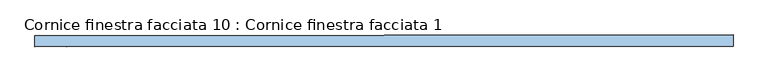
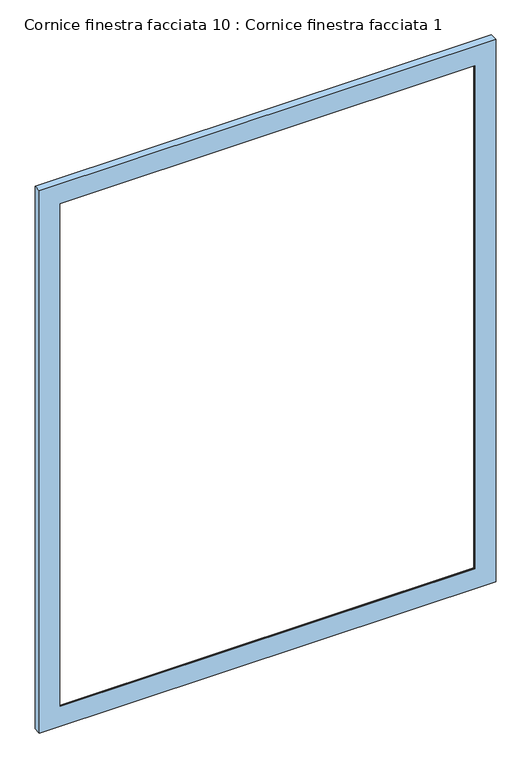
"""IFC4 building model written with IfcOpenShell, lengths in millimetres: window geometry, Cornice finestra facciata 10 : Cornice finestra facciata 1."""

from ifc_helpers import new_model, si_unit, frame, origin, place, context, project, spatial, ellipse_curve, source, transform, mapped, element, save
from ifc_brep_helpers import plane_surface, cylinder_surface, advanced_brep


def cornice_finestra_facciata_10_cornice_finestra_facciata_1_f670bd8a(model_context):
    return source(origin(), model_context, "Body", "AdvancedBrep", [
        advanced_brep(
        [(12584.549007, 123155.4841833, 4342.8082104), (12697.1932837, 123137.7445853, 4230.1795732), (12697.1932837, 123137.7445853, 471.1300098), (12584.549007, 123155.4841833, 358.5013727), (12584.5943065, 123103.9584682, 4342.8082104), (12584.5943065, 123103.9584682, 358.5013727), (15645.8148972, 123140.3369018, 471.1300098), (15758.4278078, 123158.2745374, 358.5013727), (15758.4731073, 123106.7488223, 358.5013727), (15645.8148972, 123140.3369018, 4230.1795732), (15758.4278078, 123158.2745374, 4342.8082104), (15758.4731073, 123106.7488223, 4342.8082104), (12730.396361, 123104.0866519, 4197.0060995), (15612.6710528, 123106.6206386, 4197.0060995), (15612.6710528, 123106.6206386, 504.3034835), (12730.396361, 123104.0866519, 504.3034835), (12730.3920972, 123108.9365006, 4197.0060995), (12730.3920972, 123108.9365006, 504.3034835), (15612.666789, 123111.4704874, 504.3034835), (15612.666789, 123111.4704874, 4197.0060995)],
        [
            (0, 1),
            (1, 2),
            (2, 3),
            (3, 0),
            (4, 0),
            (3, 5),
            (5, 4),
            (2, 6),
            (6, 7),
            (7, 3),
            (7, 8),
            (8, 5),
            (6, 9),
            (9, 10),
            (10, 7),
            (10, 11),
            (11, 8),
            (11, 4),
            (12, 13),
            (13, 14),
            (14, 15),
            (15, 12),
            (9, 1),
            (0, 10),
            (16, 12),
            (15, 17),
            (17, 16),
            (1, 16, ellipse_curve(frame((12690.7414041, 123096.7759392, 4236.6674684), z_axis=(-0.7071065079160798, -0.00062166126379213, -0.7071067811865475), x_axis=(-0.7071065079160797, -0.0006216612637921299, 0.7071067811865477)), 58.6524803, 41.4735665)),
            (17, 2, ellipse_curve(frame((12690.7414041, 123096.7759392, 464.6421146), z_axis=(-0.7071065079160798, -0.000621661263792128, 0.7071067811865475), x_axis=(0.7071065079160798, 0.000621661263792128, 0.7071067811865476)), 58.6524803, 41.4735665)),
            (14, 18),
            (18, 17),
            (18, 6, ellipse_curve(frame((15652.338803, 123099.3796635, 464.6421146), z_axis=(-0.7071065079160798, -0.0006216612637921279, -0.7071067811865475), x_axis=(-0.70710650791608, -0.0006216612637921282, 0.7071067811865474)), 58.6524803, 41.4735665)),
            (13, 19),
            (19, 18),
            (19, 9, ellipse_curve(frame((15652.338803, 123099.3796635, 4236.6674684), z_axis=(0.7071065079160798, 0.0006216612637921301, -0.7071067811865475), x_axis=(-0.7071065079160797, -0.0006216612637921299, -0.7071067811865476)), 58.6524803, 41.4735665)),
            (16, 19),
        ],
        [
            plane_surface(frame((12697.1932837, 123137.7445853, 4230.1795732), z_axis=(0.1555660667341483, 0.9878254900947163, 0.0), x_axis=(0.0, 0.0, -1.0))),
            plane_surface(frame((12584.549007, 123155.4841833, 4342.8082104), z_axis=(-0.9999996135371981, -0.000879161790883577, 0.0), x_axis=(0.0, 0.0, -1.0))),
            plane_surface(frame((12697.1932837, 123137.7445853, 471.1300098), z_axis=(-0.000868337849932279, 0.9876879588903426, 0.1564344650401809), x_axis=(0.9999996135371985, 0.0008791617904581073, 0.0))),
            plane_surface(frame((12584.549007, 123155.4841833, 358.5013727), z_axis=(0.0, 0.0, -1.0), x_axis=(0.9999996135371985, 0.0008791617904556066, 0.0))),
            plane_surface(frame((15645.8148972, 123140.3369018, 471.1300098), z_axis=(-0.1573027424340102, 0.9875504276859687, 0.0), x_axis=(0.0, 0.0, 1.0))),
            plane_surface(frame((15758.4278078, 123158.2745374, 358.5013727), z_axis=(0.9999996135371988, 0.0008791617900300749, 0.0), x_axis=(0.0, 0.0, 1.0))),
            plane_surface(frame((15758.4731073, 123106.7488223, 4342.8082104), z_axis=(0.0008791617904565932, -0.9999996135371985, 0.0), x_axis=(-0.9999996135371985, -0.0008791617904565932, 0.0))),
            plane_surface(frame((15645.8148973, 123140.3369018, 4230.1795732), z_axis=(-0.0008683378499332332, 0.9876879588903426, -0.1564344650401809), x_axis=(-0.9999996135371986, -0.000879161790459157, 0.0))),
            plane_surface(frame((15758.4278078, 123158.2745374, 4342.8082104), z_axis=(0.0, 0.0, 1.0), x_axis=(-0.9999996135371985, -0.0008791617904565807, 0.0))),
            plane_surface(frame((12730.396361, 123104.0866519, 4197.0060995), z_axis=(0.9999996135371985, 0.0008791617904568234, 0.0), x_axis=(0.0, 0.0, -1.0))),
            cylinder_surface(frame((12690.7414041, 123096.7759392, 4197.0060995), z_axis=(0.0, 0.0, 1.0), x_axis=(-0.0008791617904568233, 0.9999996135371985, 0.0)), 41.4735665),
            plane_surface(frame((12730.396361, 123104.0866519, 504.3034835), z_axis=(0.0, 0.0, 1.0), x_axis=(0.9999996135371985, 0.0008791617904558447, 0.0))),
            cylinder_surface(frame((12730.4027577, 123096.8108079, 464.6421146), z_axis=(-0.9999996135371985, -0.0008791617904568258, 0.0), x_axis=(-0.0008791617904568258, 0.9999996135371985, 0.0)), 41.4735665),
            plane_surface(frame((15612.6710528, 123106.6206386, 504.3034835), z_axis=(-0.9999996135371985, -0.0008791617904568284, 0.0), x_axis=(0.0, 0.0, 1.0))),
            cylinder_surface(frame((15652.338803, 123099.3796635, 504.3034835), z_axis=(0.0, 0.0, -1.0), x_axis=(-0.0008791617904568285, 0.9999996135371985, 0.0)), 41.4735665),
            plane_surface(frame((15612.6710528, 123106.6206386, 4197.0060995), z_axis=(0.0, 0.0, -1.0), x_axis=(-0.9999996135371985, -0.0008791617904569193, 0.0))),
            cylinder_surface(frame((15612.6774494, 123099.3447947, 4236.6674684), z_axis=(0.9999996135371985, 0.0008791617904568286, 0.0), x_axis=(-0.0008791617904568286, 0.9999996135371985, 0.0)), 41.4735665),
        ],
        [
            (0, [[1, 2, 3, 4]]),
            (1, [[5, -4, 6, 7]]),
            (2, [[-3, 8, 9, 10]]),
            (3, [[-6, -10, 11, 12]]),
            (4, [[-9, 13, 14, 15]]),
            (5, [[-11, -15, 16, 17]]),
            (6, [[-12, -17, 18, -7], [19, 20, 21, 22]]),
            (7, [[-14, 23, -1, 24]]),
            (8, [[-16, -24, -5, -18]]),
            (9, [[25, -22, 26, 27]]),
            (10, [[28, -27, 29, -2]]),
            (11, [[-26, -21, 30, 31]]),
            (12, [[-29, -31, 32, -8]]),
            (13, [[-30, -20, 33, 34]]),
            (14, [[-32, -34, 35, -13]]),
            (15, [[-33, -19, -25, 36]]),
            (16, [[-35, -36, -28, -23]]),
        ],
    ),
    ])


if __name__ == "__main__":
    model = new_model("IFC4")
    model_context = context("Model", 3, world=origin())
    ifc_project = project(units=[si_unit("LENGTHUNIT", "METRE", prefix="MILLI")], contexts=[model_context])
    site = spatial("IfcSite", under=ifc_project)
    building = spatial("IfcBuilding", under=site)
    placement = place(None, origin())
    cornice_finestra_facciata_10_cornice_finestra_facciata_1_shape = cornice_finestra_facciata_10_cornice_finestra_facciata_1_f670bd8a(model_context)
    element("IfcWindow", 1, ObjectType="Cornice finestra facciata 10 : Cornice finestra facciata 1", at=placement, inside=building, context=model_context, shape_type="MappedRepresentation", body=[
        mapped(cornice_finestra_facciata_10_cornice_finestra_facciata_1_shape, transform((0.0, 0.0, 0.0), x_axis=(1.0, 0.0, 0.0), y_axis=(0.0, 1.0, 0.0), z_axis=(0.0, 0.0, 1.0))),
    ])
    save(model, "model.ifc")
